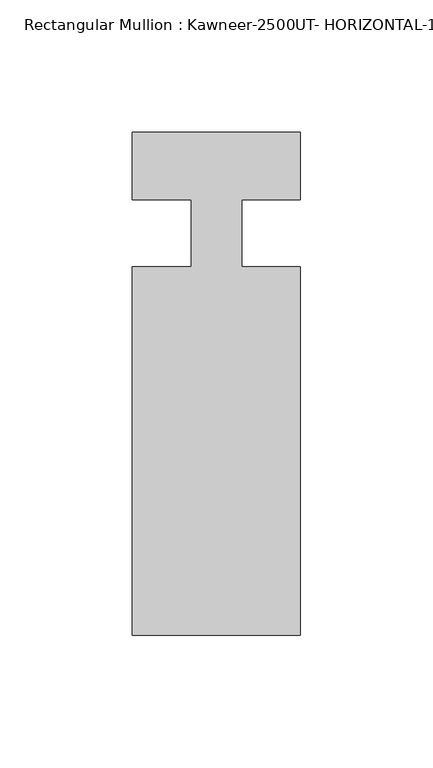
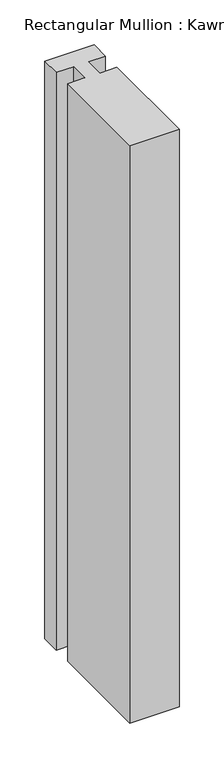
"""IFC4 building model written with IfcOpenShell, lengths in millimetres: member geometry, Rectangular Mullion : Kawneer-2500UT- HORIZONTAL-1 INCH INFILL-SET 6."""

from ifc_helpers import new_model, si_unit, point, frame, frame_2d, origin, place, context, project, spatial, polyline, circle_curve, trimmed, segment, composite_curve, outline, extrude, source, transform, mapped, element, save


def rectangular_mullion_kawneer_2500ut_horizontal_1_inch_infill_0c44178a(model_context):
    return source(origin(), model_context, "Body", "SweptSolid", [
        extrude(outline(composite_curve([segment(polyline([(63.515875, -50.815875), (63.515875, -190.007875), (0.015875, -190.007875), (0.015875, -50.815875), (22.2407618, -50.815875), (22.2407618, -25.7335033)]), True, "CONTINUOUS"), segment(trimmed(circle_curve(frame_2d((4.3166268, -486.4236947)), 461.0387479), [point((22.2407618, -25.7335033))], [point((0.015875, -25.4050068))], True, "CARTESIAN"), True, "CONTINUOUS"), segment(polyline([(0.015875, -25.4050068), (0.015875, 0.0), (63.515875, 0.0), (63.515875, -25.4050068)]), True, "CONTINUOUS"), segment(trimmed(circle_curve(frame_2d((59.2151232, -486.4236947)), 461.0387479), [point((63.515875, -25.4050068))], [point((41.290875, -25.7335077))], True, "CARTESIAN"), True, "CONTINUOUS"), segment(polyline([(41.290875, -25.7335077), (41.290875, -50.815875), (63.515875, -50.815875)]), True, "CONTINUOUS")], self_intersect=False)), frame((0.0, 0.0, -787.3997736), z_axis=(0.0, 0.0, 1.0), x_axis=(1.0, 0.0, 0.0)), (0.0, 0.0, 1.0), 787.3997736),
    ])


if __name__ == "__main__":
    model = new_model("IFC4")
    model_context = context("Model", 3, world=origin())
    ifc_project = project(units=[si_unit("LENGTHUNIT", "METRE", prefix="MILLI")], contexts=[model_context])
    site = spatial("IfcSite", under=ifc_project)
    building = spatial("IfcBuilding", under=site)
    placement = place(None, origin())
    rectangular_mullion_kawneer_2500ut_horizontal_1_inch_infill_shape = rectangular_mullion_kawneer_2500ut_horizontal_1_inch_infill_0c44178a(model_context)
    element("IfcMember", 1, ObjectType="Rectangular Mullion : Kawneer-2500UT- HORIZONTAL-1 INCH INFILL-SET 6", at=placement, inside=building, context=model_context, shape_type="MappedRepresentation", body=[
        mapped(rectangular_mullion_kawneer_2500ut_horizontal_1_inch_infill_shape, transform((0.0, 0.0, 0.0), x_axis=(1.0, 0.0, 0.0), y_axis=(0.0, 1.0, 0.0), z_axis=(0.0, 0.0, 1.0))),
    ])
    save(model, "model.ifc")
